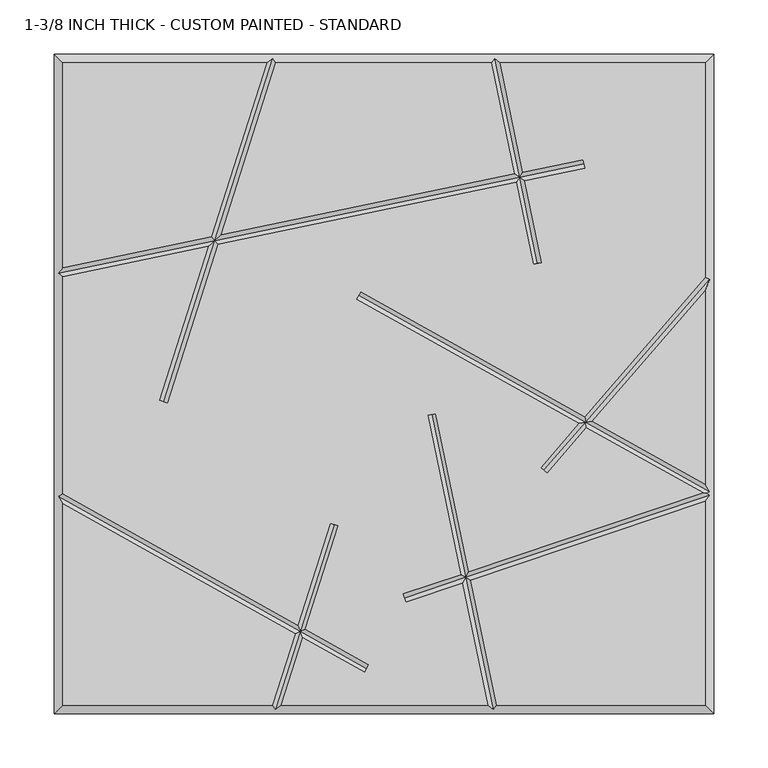
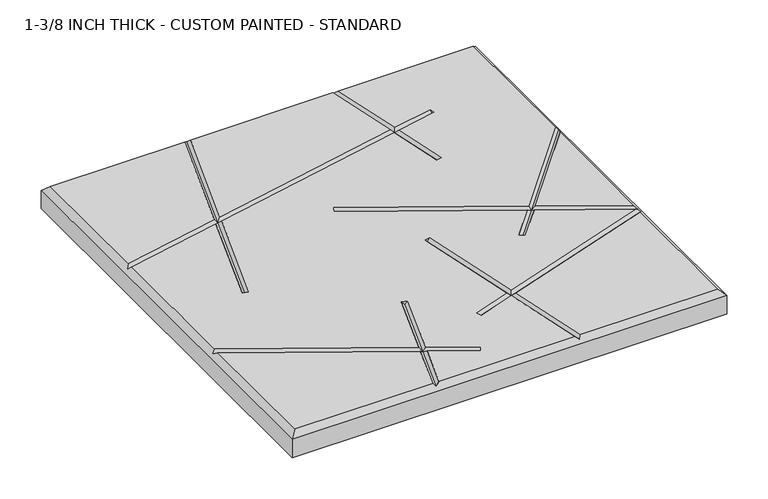
"""IFC4 building model written with IfcOpenShell, lengths in millimetres: proxy geometry, 1-3/8 INCH THICK - CUSTOM PAINTED - STANDARD."""

from ifc_helpers import new_model, si_unit, origin, place, context, project, spatial, faceted_brep, source, transform, mapped, element, save


def proxy_1_3_8_inch_thick_custom_painted_standard_d2af786c(model_context):
    return source(origin(), model_context, "Body", "Brep", [
        faceted_brep([(-296.799, 296.799, 34.925), (-296.799, 107.3480638, 34.925), (-159.4586078, 135.8795502, 34.925), (-108.3391886, 296.799, 34.925), (296.799, -296.799, 34.925), (296.799, -108.5119669, 34.925), (80.0538834, -181.4165569, 34.925), (104.0237625, -296.799, 34.925), (-296.799, -110.6534853, 34.925), (-296.799, -296.799, 34.925), (-103.2558195, -296.799, 34.925), (-82.2134891, -230.5595886, 34.925), (184.2546922, 207.2835354, 34.925), (185.8820968, 199.4497907, 34.925), (129.9840642, 187.8373734, 34.925), (145.7029214, 112.1724049, 34.925), (137.8691767, 110.5450004, 34.925), (122.1503195, 186.2099688, 34.925), (-153.2498082, 128.9975577, 34.925), (-199.8388724, -17.6607318, 34.925), (-207.4643565, -15.2383377, 34.925), (-162.2379804, 127.130329, 34.925), (-296.799, 99.1762375, 34.925), (-296.799, -101.4881131, 34.925), (-79.7408339, -222.7758868, 34.925), (-49.8549585, -128.6977715, 34.925), (-42.2294744, -131.1201655, 34.925), (-72.6113646, -226.7596921, 34.925), (-13.9611021, -259.5322889, 34.925), (-17.8639294, -266.516839, 34.925), (-75.0840198, -234.5433938, 34.925), (-94.8608114, -296.799, 34.925), (95.8519362, -296.799, 34.925), (72.4157815, -183.985716, 34.925), (20.0037035, -201.6150916, 34.925), (17.4529106, -194.0315926, 34.925), (70.7766593, -176.0955667, 34.925), (40.2072869, -28.9455186, 34.925), (48.0410316, -27.318114, 34.925), (78.4147612, -173.5264076, 34.925), (294.9653156, -100.6872606, 34.925), (187.1012518, -40.4149733, 34.925), (150.6770336, -82.4732231, 34.925), (144.6288963, -77.2352812, 34.925), (179.9685456, -36.4293593, 34.925), (-25.4958806, 78.3800638, 34.925), (-21.5930534, 85.3646139, 34.925), (185.3175947, -30.2529291, 34.925), (296.799, 98.472217, 34.925), (296.799, 296.799, 34.925), (107.3480638, 296.799, 34.925), (128.3566596, 195.671118, 34.925), (-99.9441805, 296.799, 34.925), (-150.4704356, 137.7467788, 34.925), (120.522915, 194.0437135, 34.925), (99.1762375, 296.799, 34.925), (192.4503009, -34.238543, 34.925), (296.799, -92.5465147, 34.925), (296.799, 86.2506228, 34.925), (-304.8, 304.8, 0.0), (304.8, 304.8, 0.0), (304.8, -304.8, 0.0), (-304.8, -304.8, 0.0), (-304.8, -304.8, 26.924), (-304.8, 304.8, 26.924), (304.8, -304.8, 26.924), (304.8, 304.8, 26.924), (-102.8708423, 300.7995, 30.9245), (102.4310753, 300.7995, 30.9245), (-300.7995, -103.8353996, 30.9245), (-300.7995, 102.4310753, 30.9245), (100.7689247, -300.7995, 30.9245), (-100.3291577, -300.7995, 30.9245), (300.7995, 96.9807099, 30.9245), (300.7995, -99.3646004, 30.9245), (298.0563573, -100.9741346, 33.6676427), (300.7995, -102.9456119, 30.9245), (185.0683945, 203.3666631, 30.9245), (-156.354208, 132.4385539, 30.9245), (125.2534896, 190.9405434, 30.9245), (-203.6516145, -16.4495347, 30.9245), (141.7860491, 111.3587027, 30.9245), (-23.544467, 81.8723389, 30.9245), (186.2094232, -35.3339512, 30.9245), (147.652965, -79.8542522, 30.9245), (18.728307, -197.8233421, 30.9245), (75.4152713, -178.7560618, 30.9245), (-15.9125158, -263.0245639, 30.9245), (-77.4124268, -228.6596403, 30.9245), (-46.0422164, -129.9089685, 30.9245), (44.1241593, -28.1318163, 30.9245)], [[[0, 1, 2, 3]], [[4, 5, 6, 7]], [[8, 9, 10, 11]], [[12, 13, 14, 15, 16, 17, 18, 19, 20, 21, 22, 23, 24, 25, 26, 27, 28, 29, 30, 31, 32, 33, 34, 35, 36, 37, 38, 39, 40, 41, 42, 43, 44, 45, 46, 47, 48, 49, 50, 51]], [[52, 53, 54, 55]], [[56, 57, 58]], [[59, 60, 61, 62]], [[59, 62, 63, 64]], [[62, 61, 65, 63]], [[61, 60, 66, 65]], [[60, 59, 64, 66]], [[64, 0, 3, 67, 52, 55, 68, 50, 49, 66]], [[0, 64, 63, 9, 8, 69, 23, 22, 70, 1]], [[9, 63, 65, 4, 7, 71, 32, 31, 72, 10]], [[66, 49, 48, 73, 58, 57, 74, 75, 76, 5, 4, 65]], [[12, 77, 13]], [[1, 70, 78, 2]], [[77, 12, 51, 79]], [[53, 78, 79, 54]], [[70, 22, 21, 78]], [[13, 77, 79, 14]], [[78, 18, 17, 79]], [[19, 80, 20]], [[80, 19, 18, 78]], [[67, 78, 53, 52]], [[20, 80, 78, 21]], [[78, 67, 3, 2]], [[15, 81, 16]], [[81, 15, 14, 79]], [[68, 79, 51, 50]], [[16, 81, 79, 17]], [[79, 68, 55, 54]], [[45, 82, 46]], [[74, 57, 56, 83]], [[46, 82, 83, 47]], [[82, 45, 44, 83]], [[74, 83, 41, 40, 75]], [[42, 84, 43]], [[84, 42, 41, 83]], [[73, 83, 56, 58]], [[43, 84, 83, 44]], [[83, 73, 48, 47]], [[34, 85, 35]], [[5, 76, 86, 6]], [[85, 34, 33, 86]], [[76, 75, 40, 39, 86]], [[35, 85, 86, 36]], [[28, 87, 29]], [[23, 69, 88, 24]], [[87, 28, 27, 88]], [[69, 8, 11, 88]], [[29, 87, 88, 30]], [[25, 89, 26]], [[89, 25, 24, 88]], [[72, 88, 11, 10]], [[26, 89, 88, 27]], [[88, 72, 31, 30]], [[37, 90, 38]], [[90, 37, 36, 86]], [[71, 86, 33, 32]], [[38, 90, 86, 39]], [[86, 71, 7, 6]]]),
    ])


if __name__ == "__main__":
    model = new_model("IFC4")
    model_context = context("Model", 3, world=origin())
    ifc_project = project(units=[si_unit("LENGTHUNIT", "METRE", prefix="MILLI")], contexts=[model_context])
    site = spatial("IfcSite", under=ifc_project)
    building = spatial("IfcBuilding", under=site)
    placement = place(None, origin())
    proxy_1_3_8_inch_thick_custom_painted_standard_shape = proxy_1_3_8_inch_thick_custom_painted_standard_d2af786c(model_context)
    element("IfcBuildingElementProxy", 1, Name="1-3/8 INCH THICK - CUSTOM PAINTED - STANDARD", ObjectType="1-3/8 INCH THICK - CUSTOM PAINTED - STANDARD", at=placement, inside=building, context=model_context, shape_type="MappedRepresentation", body=[
        mapped(proxy_1_3_8_inch_thick_custom_painted_standard_shape, transform((0.0, 0.0, 0.0), x_axis=(1.0, 0.0, 0.0), y_axis=(0.0, 1.0, 0.0), z_axis=(0.0, 0.0, 1.0))),
    ])
    save(model, "model.ifc")
